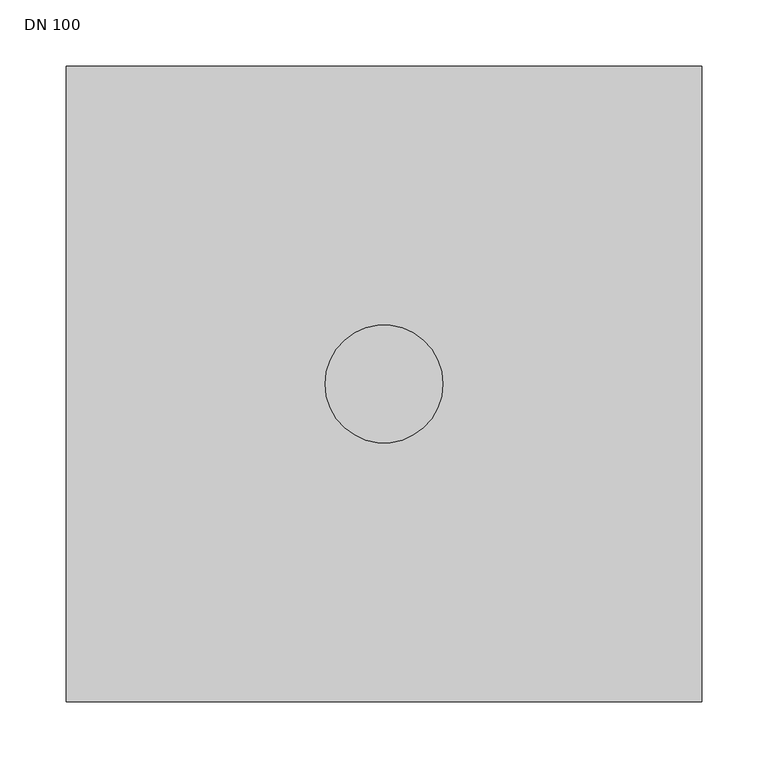
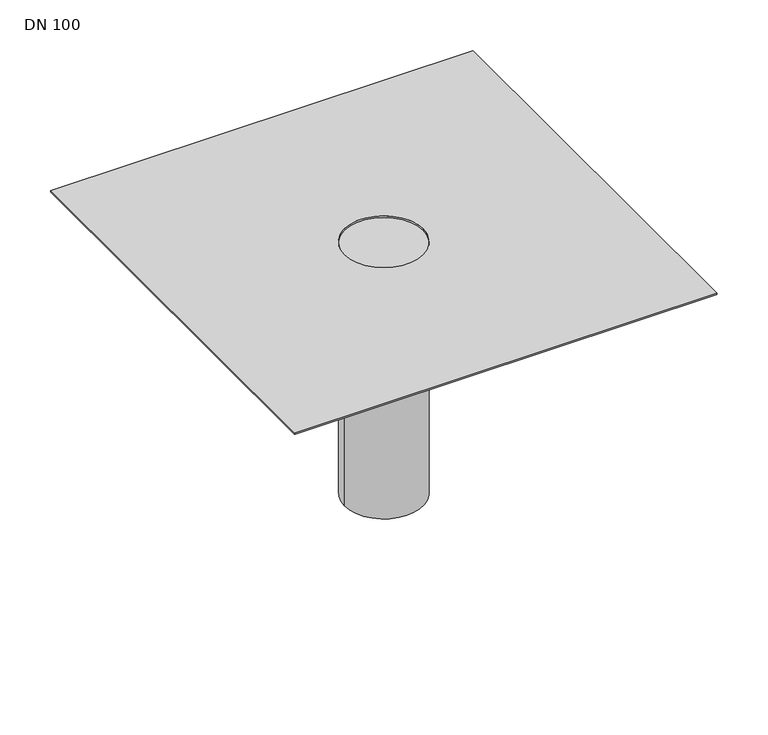
"""IFC4 building model written with IfcOpenShell, lengths in millimetres: sanitary terminal geometry, DN 100."""

from ifc_helpers import new_model, si_unit, point, frame, origin, origin_2d, place, context, project, spatial, polyline, circle_curve, trimmed, segment, composite_curve, outline, extrude, source, transform, mapped, element, save


def dn_100_3533c11b(model_context):
    return source(origin(), model_context, "Body", "SweptSolid", [
        extrude(outline(composite_curve([segment(trimmed(circle_curve(origin_2d(), 44.5), [point((-44.5, 0.0))], [point((44.5, 0.0))], False, "CARTESIAN"), True, "CONTINUOUS"), segment(trimmed(circle_curve(origin_2d(), 44.5), [point((44.5, 0.0))], [point((-44.5, 0.0))], False, "CARTESIAN"), True, "CONTINUOUS")], self_intersect=False)), frame((0.0, 0.0, -453.0), z_axis=(0.0, 0.0, 1.0), x_axis=(1.0, 0.0, 0.0)), (0.0, 0.0, 1.0), 300.0),
        extrude(outline(polyline([(240.0, 240.0), (240.0, -240.0), (-240.0, -240.0), (-240.0, 240.0), (240.0, 240.0)]), holes=[composite_curve([segment(trimmed(circle_curve(origin_2d(), 44.5), [point((-44.5, 0.0))], [point((44.5, 0.0))], True, "CARTESIAN"), True, "CONTINUOUS"), segment(trimmed(circle_curve(origin_2d(), 44.5), [point((44.5, 0.0))], [point((-44.5, 0.0))], True, "CARTESIAN"), True, "CONTINUOUS")], self_intersect=False)]), frame((0.0, 0.0, -153.0), z_axis=(0.0, 0.0, 1.0), x_axis=(1.0, 0.0, 0.0)), (0.0, 0.0, 1.0), 2.0),
    ])


if __name__ == "__main__":
    model = new_model("IFC4")
    model_context = context("Model", 3, world=origin())
    ifc_project = project(units=[si_unit("LENGTHUNIT", "METRE", prefix="MILLI")], contexts=[model_context])
    site = spatial("IfcSite", under=ifc_project)
    building = spatial("IfcBuilding", under=site)
    placement = place(None, origin())
    dn_100_shape = dn_100_3533c11b(model_context)
    element("IfcSanitaryTerminal", 1, ObjectType="DN 100", at=placement, inside=building, context=model_context, shape_type="MappedRepresentation", body=[
        mapped(dn_100_shape, transform((0.0, 0.0, 0.0), x_axis=(1.0, 0.0, 0.0), y_axis=(0.0, 1.0, 0.0), z_axis=(0.0, 0.0, 1.0))),
    ])
    save(model, "model.ifc")
